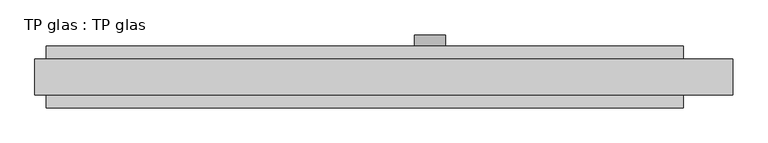
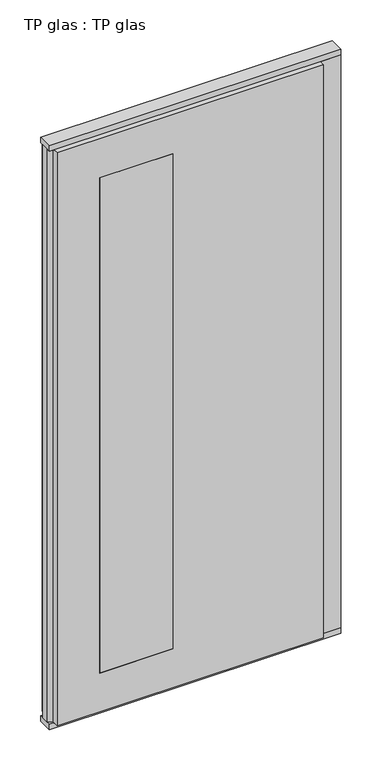
"""IFC4 building model written with IfcOpenShell, lengths in millimetres: plate geometry, TP glas : TP glas."""

import ifcopenshell
import ifcopenshell.guid

model = None  # the IFC model being written
_history = None  # IfcOwnerHistory: only IFC2X3 demands one
_inside = {}  # id of a spatial element -> (the spatial element, [elements in it])
_under = {}  # id of a project, library or spatial element -> (it, [spatial elements below it])
_declared = {}  # id of a project -> (the project, [libraries it declares])
_typed = {}  # id of a type object -> (the type object, [elements of that type])
_made_of = {}  # id of a material, layer set ... -> (it, [elements and type objects made of it])


def new_model(schema):
    """Start an empty IFC model of exactly this schema.

    Asked for "IFC4X3", IfcOpenShell would pick the latest addendum, in which some entities
    have other attributes; the version numbers below select the first issue.
    IFC2X3 requires an IfcOwnerHistory on every rooted entity: one is made here for all.
    """
    global model, _history
    if schema == "IFC4X3":
        model = ifcopenshell.file(schema_version=(4, 3, 0, 0))
    else:
        model = ifcopenshell.file(schema=schema)
    _inside.clear()
    _under.clear()
    _declared.clear()
    _typed.clear()
    _made_of.clear()
    _history = None
    if model.schema == "IFC2X3":
        org = make("IfcOrganization", Name="unknown")
        user = make(
            "IfcPersonAndOrganization",
            ThePerson=make("IfcPerson", FamilyName="unknown"),
            TheOrganization=org,
        )
        app = make(
            "IfcApplication",
            ApplicationDeveloper=org,
            Version="unknown",
            ApplicationFullName="unknown",
            ApplicationIdentifier="unknown",
        )
        _history = make(
            "IfcOwnerHistory",
            OwningUser=user,
            OwningApplication=app,
            ChangeAction="ADDED",
            CreationDate=0,
        )
    return model


def make(cls, **values):
    """One entity of the class cls with the attributes given. An attribute that is None is left unset."""
    return model.create_entity(
        cls, **{name: value for name, value in values.items() if value is not None}
    )


def rooted(cls, **values):
    """An entity with a GlobalId (a new one), such as an element, a storey or a relation."""
    return make(cls, GlobalId=ifcopenshell.guid.new(), OwnerHistory=_history, **values)


def si_unit(unit_type, name, prefix=None):
    """IfcSIUnit, for example si_unit("LENGTHUNIT", "METRE", prefix="MILLI")."""
    return make("IfcSIUnit", UnitType=unit_type, Prefix=prefix, Name=name)


def assignment(units):
    """IfcUnitAssignment: the units of a project."""
    return None if units is None else make("IfcUnitAssignment", Units=units)


def point(xyz):
    """IfcCartesianPoint."""
    return None if xyz is None else make("IfcCartesianPoint", Coordinates=xyz)


def direction(xyz):
    """IfcDirection."""
    return None if xyz is None else make("IfcDirection", DirectionRatios=xyz)


def frame(location, z_axis=None, x_axis=None):
    """IfcAxis2Placement3D, a coordinate frame: its origin and axes. An axis left out is left unset."""
    return make(
        "IfcAxis2Placement3D",
        Location=point(location),
        Axis=direction(z_axis),
        RefDirection=direction(x_axis),
    )


def frame_2d(location, x_axis=None):
    """IfcAxis2Placement2D, a coordinate frame in the plane: its origin and x axis."""
    return make(
        "IfcAxis2Placement2D", Location=point(location), RefDirection=direction(x_axis)
    )


def origin():
    """The frame at (0, 0, 0) with its axes left unset."""
    return frame((0.0, 0.0, 0.0))


def origin_with_axes():
    """The frame at (0, 0, 0) with the z axis (0, 0, 1) and the x axis (1, 0, 0) written out."""
    return frame((0.0, 0.0, 0.0), z_axis=(0.0, 0.0, 1.0), x_axis=(1.0, 0.0, 0.0))


def place(relative_to, where):
    """IfcLocalPlacement: puts the frame where relative to a parent placement (None: the world)."""
    return make(
        "IfcLocalPlacement", PlacementRelTo=relative_to, RelativePlacement=where
    )


def context(
    kind, dimensions, precision=None, world=None, true_north=None, identifier=None
):
    """IfcGeometricRepresentationContext, for example the 3D "Model" context."""
    return make(
        "IfcGeometricRepresentationContext",
        ContextIdentifier=identifier,
        ContextType=kind,
        CoordinateSpaceDimension=dimensions,
        Precision=precision,
        WorldCoordinateSystem=world,
        TrueNorth=true_north,
    )


def project(units=None, contexts=None):
    """IfcProject with its units and contexts."""
    return rooted(
        "IfcProject",
        Name="project",
        RepresentationContexts=contexts,
        UnitsInContext=assignment(units),
    )


def spatial(cls, under=None, at=None, **own):
    """A site, building, storey or space (cls), placed at a placement, below another one or the project."""
    s = rooted(cls, ObjectPlacement=at, **own)
    if under is not None:
        _under.setdefault(under.id(), (under, []))[1].append(s)
    return s


def polyline(points):
    """IfcPolyline through the points."""
    return make("IfcPolyline", Points=[point(p) for p in points])


def circle_curve(where, radius):
    """IfcCircle in the frame where."""
    return make("IfcCircle", Position=where, Radius=radius)


def trimmed(basis, trim1, trim2, sense, master):
    """IfcTrimmedCurve: the piece of a basis curve between two trims."""
    return make(
        "IfcTrimmedCurve",
        BasisCurve=basis,
        Trim1=trim1,
        Trim2=trim2,
        SenseAgreement=sense,
        MasterRepresentation=master,
    )


def segment(curve, same_sense, transition):
    """IfcCompositeCurveSegment."""
    return make(
        "IfcCompositeCurveSegment",
        Transition=transition,
        SameSense=same_sense,
        ParentCurve=curve,
    )


def composite_curve(segments, self_intersect=None):
    """IfcCompositeCurve: segments joined end to end."""
    return make("IfcCompositeCurve", Segments=segments, SelfIntersect=self_intersect)


def outline(outer, holes=None, kind="AREA"):
    """IfcArbitraryClosedProfileDef: a profile drawn as a closed curve; with holes, ...WithVoids."""
    if holes is None:
        return make("IfcArbitraryClosedProfileDef", ProfileType=kind, OuterCurve=outer)
    return make(
        "IfcArbitraryProfileDefWithVoids",
        ProfileType=kind,
        OuterCurve=outer,
        InnerCurves=holes,
    )


def extrude(swept, where, along, depth):
    """IfcExtrudedAreaSolid: the profile swept, set in the frame where, extruded along a direction by depth."""
    return make(
        "IfcExtrudedAreaSolid",
        SweptArea=swept,
        Position=where,
        ExtrudedDirection=direction(along),
        Depth=depth,
    )


def faces_of(points, faces, orient=None, outer=None):
    """IfcFace entities. A face is a list of loops; a loop is a list of indices into points, from 0.

    orient and outer hold one flag for each loop. By default every Orientation is true, the
    first loop of a face is its IfcFaceOuterBound and the others are IfcFaceBound.
    """
    made = []
    for i, loops in enumerate(faces):
        bounds = []
        for j, loop in enumerate(loops):
            is_outer = j == 0 if outer is None else outer[i][j]
            bounds.append(
                make(
                    "IfcFaceOuterBound" if is_outer else "IfcFaceBound",
                    Bound=make("IfcPolyLoop", Polygon=[points[k] for k in loop]),
                    Orientation=True if orient is None else orient[i][j],
                )
            )
        made.append(make("IfcFace", Bounds=bounds))
    return made


def faceted_brep(points, faces, orient=None, outer=None, voids=None):
    """IfcFacetedBrep: a solid bounded by flat faces; with voids (closed shells), ...WithVoids."""
    shared = [point(p) for p in points]
    hull = make("IfcClosedShell", CfsFaces=faces_of(shared, faces, orient, outer))
    if voids is None:
        return make("IfcFacetedBrep", Outer=hull)
    return make(
        "IfcFacetedBrepWithVoids",
        Outer=hull,
        Voids=[
            make(cls, CfsFaces=faces_of(shared, fs, o, b)) for cls, fs, o, b in voids
        ],
    )


def shape(context_of_items, identifier, shape_type, items):
    """IfcShapeRepresentation: the items that make up one representation, for example the "Body"."""
    return make(
        "IfcShapeRepresentation",
        ContextOfItems=context_of_items,
        RepresentationIdentifier=identifier,
        RepresentationType=shape_type,
        Items=items,
    )


def source(mapping_origin, context_of_items, identifier, shape_type, items):
    """IfcRepresentationMap: a shape defined once, which mapped items show again and again."""
    return make(
        "IfcRepresentationMap",
        MappingOrigin=mapping_origin,
        MappedRepresentation=shape(context_of_items, identifier, shape_type, items),
    )


def transform(
    local_origin,
    x_axis=None,
    y_axis=None,
    z_axis=None,
    scale=None,
    scale2=None,
    scale3=None,
    uniform=True,
):
    """IfcCartesianTransformationOperator3D, or its non-uniform kind. x_axis, y_axis, z_axis: its Axis1, 2, 3."""
    if uniform:
        return make(
            "IfcCartesianTransformationOperator3D",
            Axis1=direction(x_axis),
            Axis2=direction(y_axis),
            LocalOrigin=point(local_origin),
            Scale=scale,
            Axis3=direction(z_axis),
        )
    return make(
        "IfcCartesianTransformationOperator3DnonUniform",
        Axis1=direction(x_axis),
        Axis2=direction(y_axis),
        LocalOrigin=point(local_origin),
        Scale=scale,
        Axis3=direction(z_axis),
        Scale2=scale2,
        Scale3=scale3,
    )


def mapped(mapping_source, mapping_target):
    """IfcMappedItem: shows the shape of a source again, moved by a transform."""
    return make(
        "IfcMappedItem", MappingSource=mapping_source, MappingTarget=mapping_target
    )


def made_of(thing, what):
    """Note that an element or type object is made of a material, layer set ...; save() writes the relation."""
    if what is not None:
        _made_of.setdefault(what.id(), (what, []))[1].append(thing)
    return thing


def element(
    cls,
    number,
    at=None,
    inside=None,
    cuts=None,
    type_object=None,
    material=None,
    context=None,
    identifier="Body",
    shape_type=None,
    held_by="IfcProductDefinitionShape",
    body=None,
    shapes=None,
    **own,
):
    """One element of the class cls, such as IfcWall. Its Tag is "e" and its number.

    at: its placement. inside: the storey or other place that contains it. cuts: it is an
    opening in that element (IfcRelVoidsElement). A single representation is given by context,
    identifier, shape_type and body (its items); several are given by shapes. held_by: the class
    of the entity that holds the representations. save() writes the other relations.
    """
    e = rooted(cls, Tag="e%d" % number, ObjectPlacement=at, **own)
    if body is not None:
        shapes = [shape(context, identifier, shape_type, body)]
    if shapes is not None:
        e.Representation = make(held_by, Representations=shapes)
    if inside is not None:
        _inside.setdefault(inside.id(), (inside, []))[1].append(e)
    if cuts is not None:
        rooted(
            "IfcRelVoidsElement", RelatingBuildingElement=cuts, RelatedOpeningElement=e
        )
    if type_object is not None:
        _typed.setdefault(type_object.id(), (type_object, []))[1].append(e)
    return made_of(e, material)


def aggregate(whole, parts):
    """IfcRelAggregates: a whole, such as a stair, and the parts it consists of."""
    return rooted("IfcRelAggregates", RelatingObject=whole, RelatedObjects=parts)


def save(model, path):
    """Write the relations noted so far, then the file.

    IfcRelAggregates (storeys below a building ...), IfcRelContainedInSpatialStructure (elements
    in a storey), IfcRelDefinesByType, IfcRelAssociatesMaterial and IfcRelDeclares: one each for
    every whole, place, type object, material and project.
    """
    for whole, parts in _under.values():
        aggregate(whole, parts)
    for where, things in _inside.values():
        rooted(
            "IfcRelContainedInSpatialStructure",
            RelatedElements=things,
            RelatingStructure=where,
        )
    for kind, things in _typed.values():
        rooted("IfcRelDefinesByType", RelatedObjects=things, RelatingType=kind)
    for what, things in _made_of.values():
        rooted("IfcRelAssociatesMaterial", RelatedObjects=things, RelatingMaterial=what)
    for by, libraries in _declared.values():
        rooted("IfcRelDeclares", RelatingContext=by, RelatedDefinitions=libraries)
    model.write(path)


def tp_glas_tp_glas_69d931c1(model_context):
    return source(origin(), model_context, "Body", "SolidModel", [
        faceted_brep([(-600.0, 22.9993165, 25.0), (-600.0, 22.9993165, 2602.0), (-600.0, 55.0, 2602.0), (-600.0, 55.0, 25.0), (-620.0, 17.6401049, 25.0), (-620.0, 17.6401049, 2602.0), (-620.0, -17.6401049, 25.0), (-620.0, -17.6401049, 2602.0), (-600.0, -22.9993165, 25.0), (-600.0, -22.9993165, 2602.0), (-600.0, -55.0, 25.0), (-600.0, -55.0, 2602.0), (532.0507813, -55.0, 25.0), (532.0507813, 55.0, 25.0), (532.0507813, 30.5, 25.0), (620.0, 30.5, 25.0), (620.0, -30.5, 25.0), (532.0507813, -30.5, 25.0), (532.0507813, -30.5, 2602.0), (532.0507813, -55.0, 2602.0), (620.0, -30.5, 2602.0), (620.0, 30.5, 2602.0), (532.0507813, 30.5, 2602.0), (532.0507813, 55.0, 2602.0), (-420.0, 55.0, 2427.0), (-420.0, 55.0, 200.0), (-107.9492187, 55.0, 200.0), (-107.9492187, 55.0, 2427.0), (-107.9492187, -55.0, 2427.0), (-107.9492187, -55.0, 200.0), (-420.0, -55.0, 200.0), (-420.0, -55.0, 2427.0)], [[[0, 1, 2, 3]], [[4, 5, 1, 0]], [[6, 7, 5, 4]], [[8, 9, 7, 6]], [[10, 11, 9, 8]], [[12, 10, 8, 6, 4, 0, 3, 13, 14, 15, 16, 17]], [[17, 18, 19, 12]], [[16, 20, 18, 17]], [[15, 21, 20, 16]], [[14, 22, 21, 15]], [[13, 23, 22, 14]], [[3, 2, 23, 13], [24, 25, 26, 27]], [[11, 10, 12, 19], [28, 29, 30, 31]], [[23, 2, 1, 5, 7, 9, 11, 19, 18, 20, 21, 22]], [[28, 31, 24, 27]], [[31, 30, 25, 24]], [[30, 29, 26, 25]], [[27, 26, 29, 28]]]),
        extrude(outline(polyline([(-620.0, 32.0), (620.0, 32.0), (620.0, -32.0), (-620.0, -32.0), (-620.0, 32.0)])), origin_with_axes(), (0.0, 0.0, 1.0), 25.0),
        extrude(outline(polyline([(-620.0, 32.0), (620.0, 32.0), (620.0, -32.0), (-620.0, -32.0), (-620.0, 32.0)])), frame((0.0, 0.0, 2602.0), z_axis=(0.0, 0.0, 1.0), x_axis=(1.0, 0.0, 0.0)), (0.0, 0.0, 1.0), 25.0),
        extrude(outline(composite_curve([segment(trimmed(circle_curve(frame_2d((1040.0, 82.0507812)), 27.5), [point((1040.0, 109.5507812))], [point((1040.0, 54.5507812))], False, "CARTESIAN"), True, "CONTINUOUS"), segment(trimmed(circle_curve(frame_2d((1040.0, 82.0507812)), 27.5), [point((1040.0, 54.5507812))], [point((1040.0, 109.5507812))], False, "CARTESIAN"), True, "CONTINUOUS")], self_intersect=False), holes=[composite_curve([segment(trimmed(circle_curve(frame_2d((1040.0, 82.0507812)), 10.0), [point((1040.0, 92.0507812))], [point((1040.0, 72.0507812))], True, "CARTESIAN"), True, "CONTINUOUS"), segment(trimmed(circle_curve(frame_2d((1040.0, 82.0507812)), 10.0), [point((1040.0, 72.0507812))], [point((1040.0, 92.0507812))], True, "CARTESIAN"), True, "CONTINUOUS")], self_intersect=False)]), frame((0.0, 55.0, 0.0), z_axis=(0.0, 1.0, 0.0), x_axis=(0.0, 0.0, 1.0)), (0.0, 0.0, 1.0), 20.0),
        extrude(outline(polyline([(-107.9492187, 55.0), (-107.9492187, -55.0), (-420.0, -55.0), (-420.0, 55.0), (-107.9492187, 55.0)])), frame((0.0, 0.0, 200.0), z_axis=(0.0, 0.0, 1.0), x_axis=(1.0, 0.0, 0.0)), (0.0, 0.0, 1.0), 2227.0),
    ])


if __name__ == "__main__":
    model = new_model("IFC4")
    model_context = context("Model", 3, world=origin())
    ifc_project = project(units=[si_unit("LENGTHUNIT", "METRE", prefix="MILLI")], contexts=[model_context])
    site = spatial("IfcSite", under=ifc_project)
    building = spatial("IfcBuilding", under=site)
    placement = place(None, origin())
    tp_glas_tp_glas_shape = tp_glas_tp_glas_69d931c1(model_context)
    element("IfcPlate", 1, ObjectType="TP glas : TP glas", at=placement, inside=building, context=model_context, shape_type="MappedRepresentation", body=[
        mapped(tp_glas_tp_glas_shape, transform((0.0, 0.0, 0.0), x_axis=(1.0, 0.0, 0.0), y_axis=(0.0, 1.0, 0.0), z_axis=(0.0, 0.0, 1.0))),
    ])
    save(model, "model.ifc")
